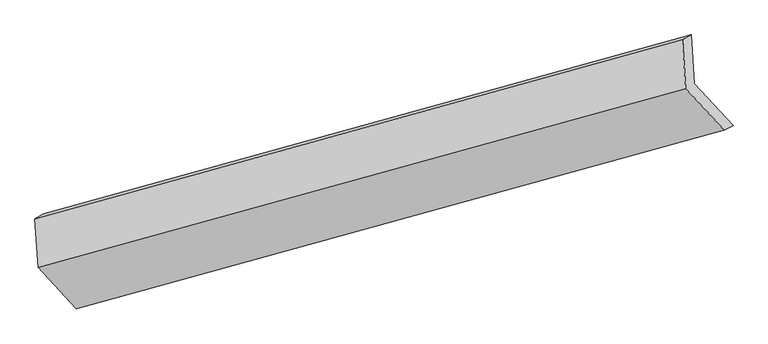
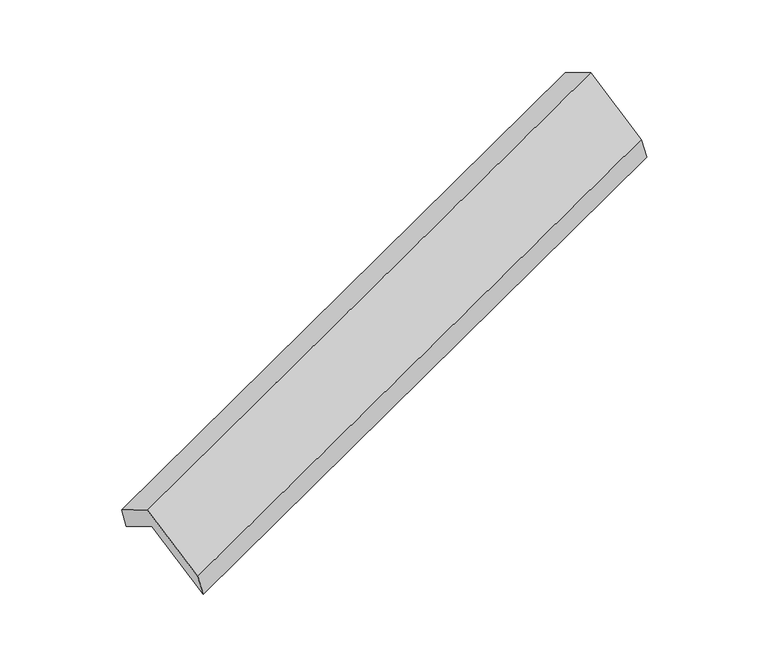
"""IFC4 building model written with IfcOpenShell, lengths in millimetres: proxy geometry."""

from ifc_helpers import new_model, si_unit, frame, origin, place, context, project, spatial, polyline, outline, extrude, source, transform, mapped, element, save


def generic_models_30d896be(model_context):
    return source(origin(), model_context, "Body", "SweptSolid", [
        extrude(outline(polyline([(-140.8303967, -70.3832943), (532.9536342, -70.3832943), (358.7584069, -196.3602564), (-305.025624, -196.3602564), (-305.025624, 203.7550697), (-140.8303967, 329.7320318), (-140.8303967, -70.3832943)])), frame((-5152.606937, -2139.3708406, 1106.4117795), z_axis=(0.9110739530167238, 0.2519225160299253, 0.326311657854317), x_axis=(0.4083550833803826, -0.44305396063905883, -0.7980910435780144)), (0.0, 0.0, 1.0), 5030.5195664),
    ])


if __name__ == "__main__":
    model = new_model("IFC4")
    model_context = context("Model", 3, world=origin())
    ifc_project = project(units=[si_unit("LENGTHUNIT", "METRE", prefix="MILLI")], contexts=[model_context])
    site = spatial("IfcSite", under=ifc_project)
    building = spatial("IfcBuilding", under=site)
    placement = place(None, origin())
    generic_models_shape = generic_models_30d896be(model_context)
    element("IfcBuildingElementProxy", 1, Name="Generic Models", at=placement, inside=building, context=model_context, shape_type="MappedRepresentation", body=[
        mapped(generic_models_shape, transform((0.0, 0.0, 0.0), x_axis=(1.0, 0.0, 0.0), y_axis=(0.0, 1.0, 0.0), z_axis=(0.0, 0.0, 1.0))),
    ])
    save(model, "model.ifc")
